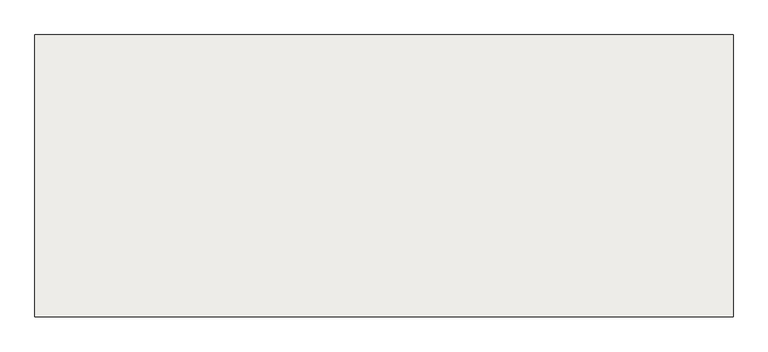
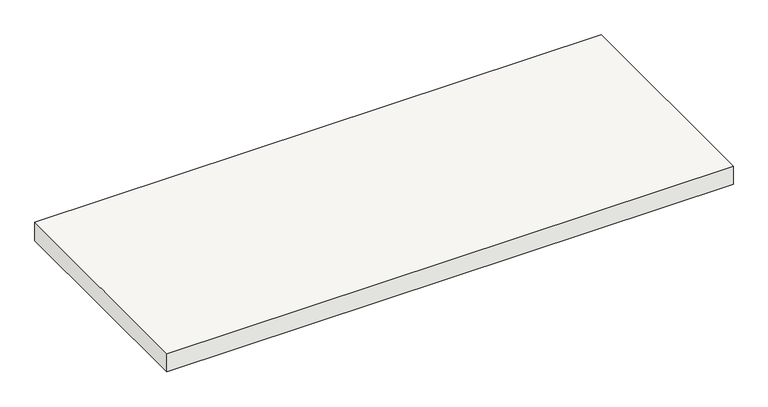
"""IFC4 building model written with IfcOpenShell, lengths in millimetres: slab geometry."""

from ifc_helpers import new_model, si_unit, frame, origin, place, context, project, spatial, polyline, outline, extrude, source, transform, mapped, element, save


def slab_73e2695a(model_context):
    return source(origin(), model_context, "Body", "SweptSolid", [
        extrude(outline(polyline([(-6740.8729589, 6169.2068086), (-6740.8729589, 8524.2068086), (-910.8729589, 8524.2068086), (-910.8729589, 6169.2068086), (-6740.8729589, 6169.2068086)])), frame((0.0, 0.0, -500.0), z_axis=(0.0, 0.0, 1.0), x_axis=(1.0, 0.0, 0.0)), (0.0, 0.0, 1.0), 200.0),
    ])


if __name__ == "__main__":
    model = new_model("IFC4")
    model_context = context("Model", 3, world=origin())
    ifc_project = project(units=[si_unit("LENGTHUNIT", "METRE", prefix="MILLI")], contexts=[model_context])
    site = spatial("IfcSite", under=ifc_project)
    building = spatial("IfcBuilding", under=site)
    placement = place(None, origin())
    slab_shape = slab_73e2695a(model_context)
    element("IfcSlab", 1, at=placement, inside=building, context=model_context, shape_type="MappedRepresentation", body=[
        mapped(slab_shape, transform((0.0, 0.0, 0.0), x_axis=(1.0, 0.0, 0.0), y_axis=(0.0, 1.0, 0.0), z_axis=(0.0, 0.0, 1.0))),
    ])
    save(model, "model.ifc")
